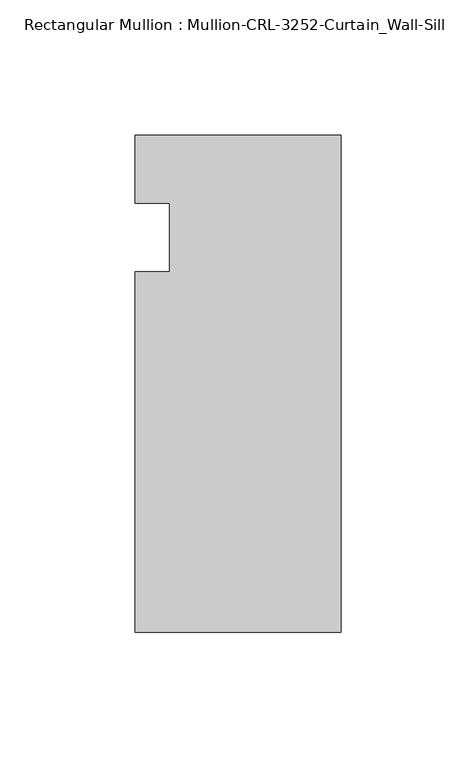
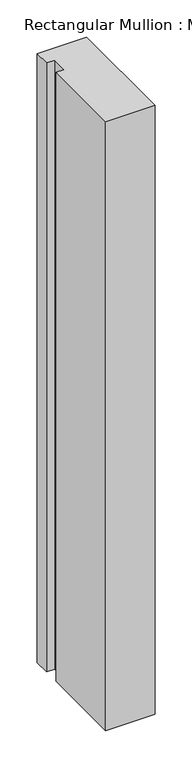
"""IFC4 building model written with IfcOpenShell, lengths in millimetres: member geometry, Rectangular Mullion : Mullion-CRL-3252-Curtain_Wall-Sill."""

from ifc_helpers import new_model, si_unit, frame, origin, place, context, project, spatial, polyline, outline, extrude, source, transform, mapped, element, save


def rectangular_mullion_mullion_crl_3252_curtain_wall_sill_36ea8aed(model_context):
    return source(origin(), model_context, "Body", "SweptSolid", [
        extrude(outline(polyline([(0.0, 37.8710195), (0.0, -146.0054758), (-76.2018563, -146.0054758), (-76.2018563, -12.7), (-63.4961173, -12.7), (-63.4961173, 12.7), (-76.2018563, 12.7), (-76.2018563, 37.8710195), (0.0, 37.8710195)])), frame((0.0, 0.0, -996.4830559), z_axis=(0.0, 0.0, 1.0), x_axis=(1.0, 0.0, 0.0)), (0.0, 0.0, 1.0), 996.4830559),
    ])


if __name__ == "__main__":
    model = new_model("IFC4")
    model_context = context("Model", 3, world=origin())
    ifc_project = project(units=[si_unit("LENGTHUNIT", "METRE", prefix="MILLI")], contexts=[model_context])
    site = spatial("IfcSite", under=ifc_project)
    building = spatial("IfcBuilding", under=site)
    placement = place(None, origin())
    rectangular_mullion_mullion_crl_3252_curtain_wall_sill_shape = rectangular_mullion_mullion_crl_3252_curtain_wall_sill_36ea8aed(model_context)
    element("IfcMember", 1, ObjectType="Rectangular Mullion : Mullion-CRL-3252-Curtain_Wall-Sill", at=placement, inside=building, context=model_context, shape_type="MappedRepresentation", body=[
        mapped(rectangular_mullion_mullion_crl_3252_curtain_wall_sill_shape, transform((0.0, 0.0, 0.0), x_axis=(1.0, 0.0, 0.0), y_axis=(0.0, 1.0, 0.0), z_axis=(0.0, 0.0, 1.0))),
    ])
    save(model, "model.ifc")
